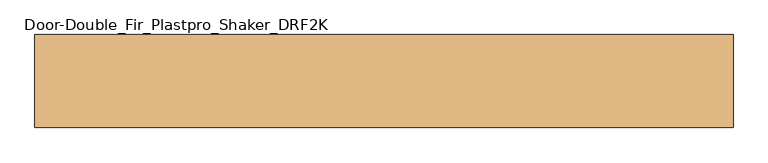
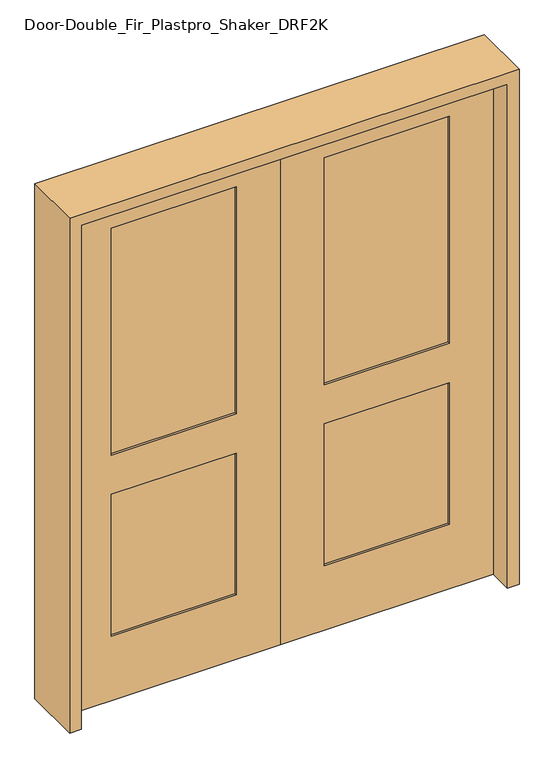
"""IFC4 building model written with IfcOpenShell, lengths in millimetres: door geometry, Door-Double_Fir_Plastpro_Shaker_DRF2K."""

from ifc_helpers import new_model, si_unit, frame, origin, place, context, project, spatial, polyline, outline, extrude, source, transform, mapped, element, save


def door_double_fir_plastpro_shaker_drf2k_e86a7b4d(model_context):
    return source(origin(), model_context, "Body", "SweptSolid", [
        extrude(outline(polyline([(2032.0, 0.0), (2032.0, -812.8), (0.0, -812.8), (0.0, 0.0), (2032.0, 0.0)]), holes=[polyline([(831.85, -168.275), (260.35, -168.275), (260.35, -644.525), (831.85, -644.525), (831.85, -168.275)]), polyline([(1905.0, -644.525), (1905.0, -168.275), (990.6, -168.275), (990.6, -644.525), (1905.0, -644.525)])]), frame((0.0, -22.225, 0.0), z_axis=(0.0, 1.0, 0.0), x_axis=(0.0, 0.0, 1.0)), (0.0, 0.0, 1.0), 44.45),
        extrude(outline(polyline([(-644.525, 12.7), (-168.275, 12.7), (-168.275, -14.2875), (-644.525, -14.2875), (-644.525, 12.7)])), frame((0.0, 0.0, 260.35), z_axis=(0.0, 0.0, 1.0), x_axis=(1.0, 0.0, 0.0)), (0.0, 0.0, 1.0), 571.5),
        extrude(outline(polyline([(-644.525, 12.7), (-168.275, 12.7), (-168.275, -14.2875), (-644.525, -14.2875), (-644.525, 12.7)])), frame((0.0, 0.0, 990.6), z_axis=(0.0, 0.0, 1.0), x_axis=(1.0, 0.0, 0.0)), (0.0, 0.0, 1.0), 914.4),
        extrude(outline(polyline([(2032.0, 0.0), (0.0, 0.0), (0.0, 812.8), (2032.0, 812.8), (2032.0, 0.0)]), holes=[polyline([(1905.0, 644.525), (990.6, 644.525), (990.6, 168.275), (1905.0, 168.275), (1905.0, 644.525)]), polyline([(831.85, 168.275), (831.85, 644.525), (260.35, 644.525), (260.35, 168.275), (831.85, 168.275)])]), frame((0.0, -22.225, 0.0), z_axis=(0.0, 1.0, 0.0), x_axis=(0.0, 0.0, 1.0)), (0.0, 0.0, 1.0), 44.45),
        extrude(outline(polyline([(644.525, 12.7), (644.525, -14.2875), (168.275, -14.2875), (168.275, 12.7), (644.525, 12.7)])), frame((0.0, 0.0, 990.6), z_axis=(0.0, 0.0, 1.0), x_axis=(1.0, 0.0, 0.0)), (0.0, 0.0, 1.0), 914.4),
        extrude(outline(polyline([(644.525, 12.7), (644.525, -14.2875), (168.275, -14.2875), (168.275, 12.7), (644.525, 12.7)])), frame((0.0, 0.0, 260.35), z_axis=(0.0, 0.0, 1.0), x_axis=(1.0, 0.0, 0.0)), (0.0, 0.0, 1.0), 571.5),
        extrude(outline(polyline([(0.0, -857.25), (0.0, -812.8), (2032.0, -812.8), (2032.0, 812.8), (0.0, 812.8), (0.0, 857.25), (2076.45, 857.25), (2076.45, -857.25), (0.0, -857.25)])), frame((0.0, -114.3, 0.0), z_axis=(0.0, 1.0, 0.0), x_axis=(0.0, 0.0, 1.0)), (0.0, 0.0, 1.0), 228.6),
    ])


if __name__ == "__main__":
    model = new_model("IFC4")
    model_context = context("Model", 3, world=origin())
    ifc_project = project(units=[si_unit("LENGTHUNIT", "METRE", prefix="MILLI")], contexts=[model_context])
    site = spatial("IfcSite", under=ifc_project)
    building = spatial("IfcBuilding", under=site)
    placement = place(None, origin())
    door_double_fir_plastpro_shaker_drf2k_shape = door_double_fir_plastpro_shaker_drf2k_e86a7b4d(model_context)
    element("IfcDoor", 1, ObjectType="Door-Double_Fir_Plastpro_Shaker_DRF2K", at=placement, inside=building, context=model_context, shape_type="MappedRepresentation", body=[
        mapped(door_double_fir_plastpro_shaker_drf2k_shape, transform((0.0, 0.0, 0.0), x_axis=(1.0, 0.0, 0.0), y_axis=(0.0, 1.0, 0.0), z_axis=(0.0, 0.0, 1.0))),
    ])
    save(model, "model.ifc")
